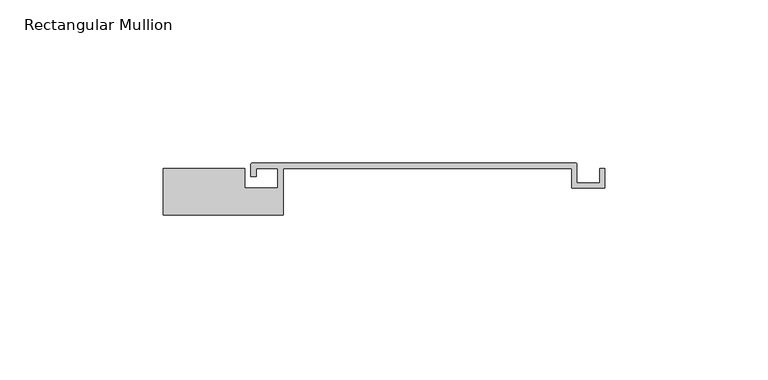
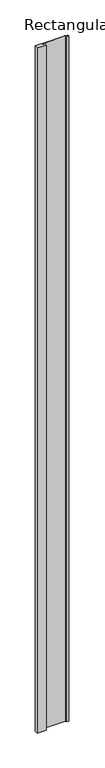
"""IFC4 building model written with IfcOpenShell, lengths in millimetres: member geometry, Rectangular Mullion."""

from ifc_helpers import new_model, si_unit, point, frame, frame_2d, origin, place, context, project, spatial, polyline, circle_curve, trimmed, segment, composite_curve, outline, extrude, source, transform, mapped, element, save


def rectangular_mullion_84569ece(model_context):
    return source(origin(), model_context, "Body", "SweptSolid", [
        extrude(outline(composite_curve([segment(polyline([(-85.3, 14.2), (-60.3, 14.2), (-60.3, 8.2), (-50.1, 8.2), (-50.1, 14.2), (-56.8, 14.2), (-56.8, 11.8), (-58.4, 11.8), (-58.4, 15.5)]), True, "CONTINUOUS"), segment(trimmed(circle_curve(frame_2d((-57.9, 15.5)), 0.5), [point((-58.4, 15.5))], [point((-57.9, 16.0))], False, "CARTESIAN"), True, "CONTINUOUS"), segment(polyline([(-57.9, 16.0), (41.1, 16.0)]), True, "CONTINUOUS"), segment(trimmed(circle_curve(frame_2d((41.1, 15.5)), 0.5), [point((41.1, 16.0))], [point((41.6, 15.5))], False, "CARTESIAN"), True, "CONTINUOUS"), segment(polyline([(41.6, 15.5), (41.6, 9.8), (48.6, 9.8), (48.6, 14.2), (50.2, 14.2), (50.2, 8.2), (40.0, 8.2), (40.0, 14.2), (-48.5, 14.2), (-48.5, 0.0), (-85.3, 0.0), (-85.3, 14.2)]), True, "CONTINUOUS")], self_intersect=False)), frame((0.0, 0.0, -3000.0), z_axis=(0.0, 0.0, 1.0), x_axis=(1.0, 0.0, 0.0)), (0.0, 0.0, 1.0), 3000.0),
    ])


if __name__ == "__main__":
    model = new_model("IFC4")
    model_context = context("Model", 3, world=origin())
    ifc_project = project(units=[si_unit("LENGTHUNIT", "METRE", prefix="MILLI")], contexts=[model_context])
    site = spatial("IfcSite", under=ifc_project)
    building = spatial("IfcBuilding", under=site)
    placement = place(None, origin())
    rectangular_mullion_shape = rectangular_mullion_84569ece(model_context)
    element("IfcMember", 1, ObjectType="Rectangular Mullion", at=placement, inside=building, context=model_context, shape_type="MappedRepresentation", body=[
        mapped(rectangular_mullion_shape, transform((0.0, 0.0, 0.0), x_axis=(1.0, 0.0, 0.0), y_axis=(0.0, 1.0, 0.0), z_axis=(0.0, 0.0, 1.0))),
    ])
    save(model, "model.ifc")
